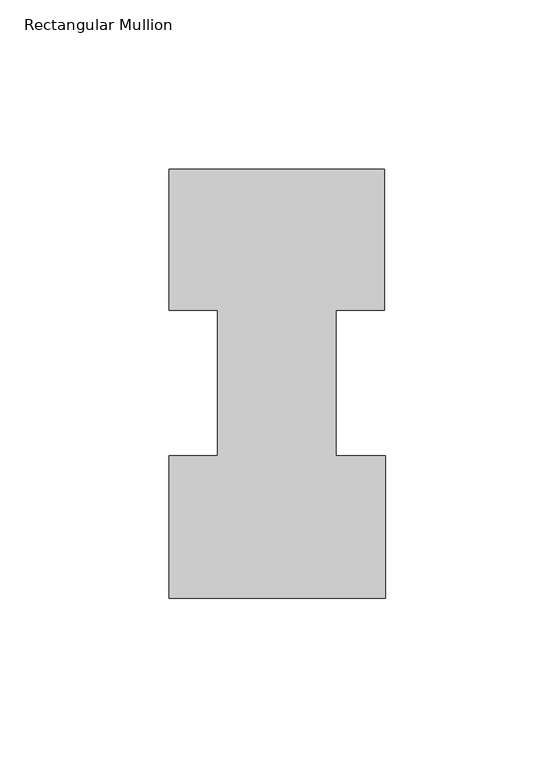
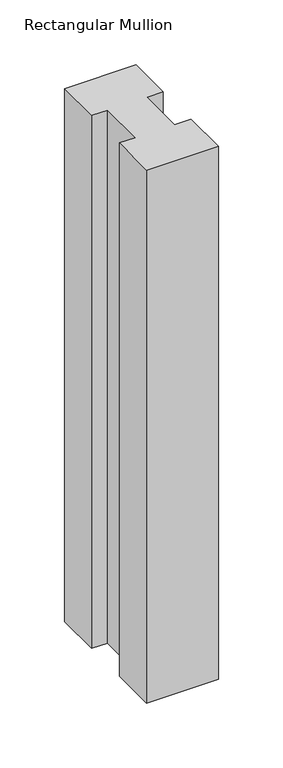
"""IFC4 building model written with IfcOpenShell, lengths in millimetres: member geometry, Rectangular Mullion."""

import ifcopenshell
import ifcopenshell.guid

model = None  # the IFC model being written
_history = None  # IfcOwnerHistory: only IFC2X3 demands one
_inside = {}  # id of a spatial element -> (the spatial element, [elements in it])
_under = {}  # id of a project, library or spatial element -> (it, [spatial elements below it])
_declared = {}  # id of a project -> (the project, [libraries it declares])
_typed = {}  # id of a type object -> (the type object, [elements of that type])
_made_of = {}  # id of a material, layer set ... -> (it, [elements and type objects made of it])


def new_model(schema):
    """Start an empty IFC model of exactly this schema.

    Asked for "IFC4X3", IfcOpenShell would pick the latest addendum, in which some entities
    have other attributes; the version numbers below select the first issue.
    IFC2X3 requires an IfcOwnerHistory on every rooted entity: one is made here for all.
    """
    global model, _history
    if schema == "IFC4X3":
        model = ifcopenshell.file(schema_version=(4, 3, 0, 0))
    else:
        model = ifcopenshell.file(schema=schema)
    _inside.clear()
    _under.clear()
    _declared.clear()
    _typed.clear()
    _made_of.clear()
    _history = None
    if model.schema == "IFC2X3":
        org = make("IfcOrganization", Name="unknown")
        user = make(
            "IfcPersonAndOrganization",
            ThePerson=make("IfcPerson", FamilyName="unknown"),
            TheOrganization=org,
        )
        app = make(
            "IfcApplication",
            ApplicationDeveloper=org,
            Version="unknown",
            ApplicationFullName="unknown",
            ApplicationIdentifier="unknown",
        )
        _history = make(
            "IfcOwnerHistory",
            OwningUser=user,
            OwningApplication=app,
            ChangeAction="ADDED",
            CreationDate=0,
        )
    return model


def make(cls, **values):
    """One entity of the class cls with the attributes given. An attribute that is None is left unset."""
    return model.create_entity(
        cls, **{name: value for name, value in values.items() if value is not None}
    )


def rooted(cls, **values):
    """An entity with a GlobalId (a new one), such as an element, a storey or a relation."""
    return make(cls, GlobalId=ifcopenshell.guid.new(), OwnerHistory=_history, **values)


def si_unit(unit_type, name, prefix=None):
    """IfcSIUnit, for example si_unit("LENGTHUNIT", "METRE", prefix="MILLI")."""
    return make("IfcSIUnit", UnitType=unit_type, Prefix=prefix, Name=name)


def assignment(units):
    """IfcUnitAssignment: the units of a project."""
    return None if units is None else make("IfcUnitAssignment", Units=units)


def point(xyz):
    """IfcCartesianPoint."""
    return None if xyz is None else make("IfcCartesianPoint", Coordinates=xyz)


def direction(xyz):
    """IfcDirection."""
    return None if xyz is None else make("IfcDirection", DirectionRatios=xyz)


def frame(location, z_axis=None, x_axis=None):
    """IfcAxis2Placement3D, a coordinate frame: its origin and axes. An axis left out is left unset."""
    return make(
        "IfcAxis2Placement3D",
        Location=point(location),
        Axis=direction(z_axis),
        RefDirection=direction(x_axis),
    )


def origin():
    """The frame at (0, 0, 0) with its axes left unset."""
    return frame((0.0, 0.0, 0.0))


def place(relative_to, where):
    """IfcLocalPlacement: puts the frame where relative to a parent placement (None: the world)."""
    return make(
        "IfcLocalPlacement", PlacementRelTo=relative_to, RelativePlacement=where
    )


def context(
    kind, dimensions, precision=None, world=None, true_north=None, identifier=None
):
    """IfcGeometricRepresentationContext, for example the 3D "Model" context."""
    return make(
        "IfcGeometricRepresentationContext",
        ContextIdentifier=identifier,
        ContextType=kind,
        CoordinateSpaceDimension=dimensions,
        Precision=precision,
        WorldCoordinateSystem=world,
        TrueNorth=true_north,
    )


def project(units=None, contexts=None):
    """IfcProject with its units and contexts."""
    return rooted(
        "IfcProject",
        Name="project",
        RepresentationContexts=contexts,
        UnitsInContext=assignment(units),
    )


def spatial(cls, under=None, at=None, **own):
    """A site, building, storey or space (cls), placed at a placement, below another one or the project."""
    s = rooted(cls, ObjectPlacement=at, **own)
    if under is not None:
        _under.setdefault(under.id(), (under, []))[1].append(s)
    return s


def polyline(points):
    """IfcPolyline through the points."""
    return make("IfcPolyline", Points=[point(p) for p in points])


def outline(outer, holes=None, kind="AREA"):
    """IfcArbitraryClosedProfileDef: a profile drawn as a closed curve; with holes, ...WithVoids."""
    if holes is None:
        return make("IfcArbitraryClosedProfileDef", ProfileType=kind, OuterCurve=outer)
    return make(
        "IfcArbitraryProfileDefWithVoids",
        ProfileType=kind,
        OuterCurve=outer,
        InnerCurves=holes,
    )


def extrude(swept, where, along, depth):
    """IfcExtrudedAreaSolid: the profile swept, set in the frame where, extruded along a direction by depth."""
    return make(
        "IfcExtrudedAreaSolid",
        SweptArea=swept,
        Position=where,
        ExtrudedDirection=direction(along),
        Depth=depth,
    )


def shape(context_of_items, identifier, shape_type, items):
    """IfcShapeRepresentation: the items that make up one representation, for example the "Body"."""
    return make(
        "IfcShapeRepresentation",
        ContextOfItems=context_of_items,
        RepresentationIdentifier=identifier,
        RepresentationType=shape_type,
        Items=items,
    )


def source(mapping_origin, context_of_items, identifier, shape_type, items):
    """IfcRepresentationMap: a shape defined once, which mapped items show again and again."""
    return make(
        "IfcRepresentationMap",
        MappingOrigin=mapping_origin,
        MappedRepresentation=shape(context_of_items, identifier, shape_type, items),
    )


def transform(
    local_origin,
    x_axis=None,
    y_axis=None,
    z_axis=None,
    scale=None,
    scale2=None,
    scale3=None,
    uniform=True,
):
    """IfcCartesianTransformationOperator3D, or its non-uniform kind. x_axis, y_axis, z_axis: its Axis1, 2, 3."""
    if uniform:
        return make(
            "IfcCartesianTransformationOperator3D",
            Axis1=direction(x_axis),
            Axis2=direction(y_axis),
            LocalOrigin=point(local_origin),
            Scale=scale,
            Axis3=direction(z_axis),
        )
    return make(
        "IfcCartesianTransformationOperator3DnonUniform",
        Axis1=direction(x_axis),
        Axis2=direction(y_axis),
        LocalOrigin=point(local_origin),
        Scale=scale,
        Axis3=direction(z_axis),
        Scale2=scale2,
        Scale3=scale3,
    )


def mapped(mapping_source, mapping_target):
    """IfcMappedItem: shows the shape of a source again, moved by a transform."""
    return make(
        "IfcMappedItem", MappingSource=mapping_source, MappingTarget=mapping_target
    )


def made_of(thing, what):
    """Note that an element or type object is made of a material, layer set ...; save() writes the relation."""
    if what is not None:
        _made_of.setdefault(what.id(), (what, []))[1].append(thing)
    return thing


def element(
    cls,
    number,
    at=None,
    inside=None,
    cuts=None,
    type_object=None,
    material=None,
    context=None,
    identifier="Body",
    shape_type=None,
    held_by="IfcProductDefinitionShape",
    body=None,
    shapes=None,
    **own,
):
    """One element of the class cls, such as IfcWall. Its Tag is "e" and its number.

    at: its placement. inside: the storey or other place that contains it. cuts: it is an
    opening in that element (IfcRelVoidsElement). A single representation is given by context,
    identifier, shape_type and body (its items); several are given by shapes. held_by: the class
    of the entity that holds the representations. save() writes the other relations.
    """
    e = rooted(cls, Tag="e%d" % number, ObjectPlacement=at, **own)
    if body is not None:
        shapes = [shape(context, identifier, shape_type, body)]
    if shapes is not None:
        e.Representation = make(held_by, Representations=shapes)
    if inside is not None:
        _inside.setdefault(inside.id(), (inside, []))[1].append(e)
    if cuts is not None:
        rooted(
            "IfcRelVoidsElement", RelatingBuildingElement=cuts, RelatedOpeningElement=e
        )
    if type_object is not None:
        _typed.setdefault(type_object.id(), (type_object, []))[1].append(e)
    return made_of(e, material)


def aggregate(whole, parts):
    """IfcRelAggregates: a whole, such as a stair, and the parts it consists of."""
    return rooted("IfcRelAggregates", RelatingObject=whole, RelatedObjects=parts)


def save(model, path):
    """Write the relations noted so far, then the file.

    IfcRelAggregates (storeys below a building ...), IfcRelContainedInSpatialStructure (elements
    in a storey), IfcRelDefinesByType, IfcRelAssociatesMaterial and IfcRelDeclares: one each for
    every whole, place, type object, material and project.
    """
    for whole, parts in _under.values():
        aggregate(whole, parts)
    for where, things in _inside.values():
        rooted(
            "IfcRelContainedInSpatialStructure",
            RelatedElements=things,
            RelatingStructure=where,
        )
    for kind, things in _typed.values():
        rooted("IfcRelDefinesByType", RelatedObjects=things, RelatingType=kind)
    for what, things in _made_of.values():
        rooted("IfcRelAssociatesMaterial", RelatedObjects=things, RelatingMaterial=what)
    for by, libraries in _declared.values():
        rooted("IfcRelDeclares", RelatingContext=by, RelatedDefinitions=libraries)
    model.write(path)


def rectangular_mullion_123acad6(model_context):
    return source(origin(), model_context, "Body", "SweptSolid", [
        extrude(outline(polyline([(-49.21504, 85.1296875), (-63.5, 85.1296875), (-63.5, 126.7349164), (0.0, 126.7349164), (0.0, 85.1296875), (-14.2748, 85.1296875), (-14.2748, 42.2799164), (0.2408142, 42.2799164), (0.2408142, 0.2429164), (-63.5, 0.2429164), (-63.5, 42.2799164), (-49.21504, 42.2799164), (-49.21504, 85.1296875)])), frame((0.0, 0.0, -501.6510851), z_axis=(0.0, 0.0, 1.0), x_axis=(1.0, 0.0, 0.0)), (0.0, 0.0, 1.0), 501.6510851),
    ])


if __name__ == "__main__":
    model = new_model("IFC4")
    model_context = context("Model", 3, world=origin())
    ifc_project = project(units=[si_unit("LENGTHUNIT", "METRE", prefix="MILLI")], contexts=[model_context])
    site = spatial("IfcSite", under=ifc_project)
    building = spatial("IfcBuilding", under=site)
    placement = place(None, origin())
    rectangular_mullion_shape = rectangular_mullion_123acad6(model_context)
    element("IfcMember", 1, ObjectType="Rectangular Mullion", at=placement, inside=building, context=model_context, shape_type="MappedRepresentation", body=[
        mapped(rectangular_mullion_shape, transform((0.0, 0.0, 0.0), x_axis=(1.0, 0.0, 0.0), y_axis=(0.0, 1.0, 0.0), z_axis=(0.0, 0.0, 1.0))),
    ])
    save(model, "model.ifc")
